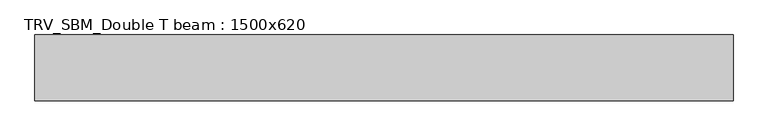
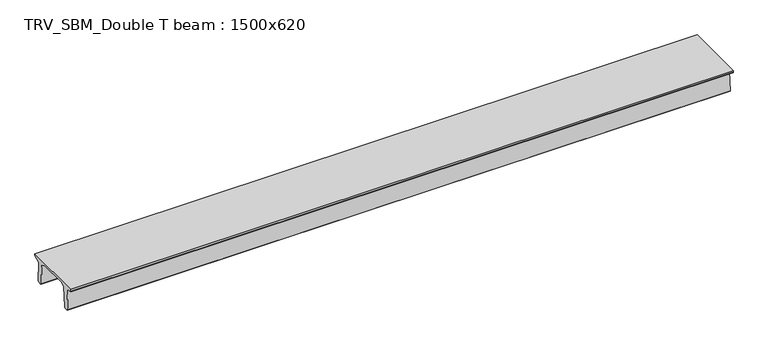
"""IFC4 building model written with IfcOpenShell, lengths in millimetres: beam geometry, TRV_SBM_Double T beam : 1500x620."""

from ifc_helpers import new_model, si_unit, frame, origin, place, context, project, spatial, polyline, outline, extrude, source, transform, mapped, element, save


def trv_sbm_double_t_beam_1500x620_a8e33f43(model_context):
    return source(origin(), model_context, "Body", "SweptSolid", [
        extrude(outline(polyline([(-765.0, 215.0), (-765.0, 260.0), (735.0, 260.0), (735.0, 215.0), (728.2094488, 201.315559), (578.0626443, 140.6523122), (594.8277662, -339.4379646), (574.2657308, -360.0), (484.2657308, -360.0), (464.786332, -340.5206011), (447.8600761, 144.18395), (338.3237744, 210.0), (-367.4555014, 210.0), (-476.5389732, 151.9992892), (-507.0080378, -339.3850967), (-527.622941, -360.0), (-615.122941, -360.0), (-637.1143055, -338.0086356), (-606.1572167, 162.687806), (-761.3068466, 204.260024), (-765.0, 215.0)])), frame((-7970.5, 0.0, 0.0), z_axis=(1.0, 0.0, 0.0), x_axis=(0.0, 1.0, 0.0)), (0.0, 0.0, 1.0), 15941.0),
    ])


if __name__ == "__main__":
    model = new_model("IFC4")
    model_context = context("Model", 3, world=origin())
    ifc_project = project(units=[si_unit("LENGTHUNIT", "METRE", prefix="MILLI")], contexts=[model_context])
    site = spatial("IfcSite", under=ifc_project)
    building = spatial("IfcBuilding", under=site)
    placement = place(None, origin())
    trv_sbm_double_t_beam_1500x620_shape = trv_sbm_double_t_beam_1500x620_a8e33f43(model_context)
    element("IfcBeam", 1, ObjectType="TRV_SBM_Double T beam : 1500x620", at=placement, inside=building, context=model_context, shape_type="MappedRepresentation", body=[
        mapped(trv_sbm_double_t_beam_1500x620_shape, transform((0.0, 0.0, 0.0), x_axis=(1.0, 0.0, 0.0), y_axis=(0.0, 1.0, 0.0), z_axis=(0.0, 0.0, 1.0))),
    ])
    save(model, "model.ifc")
